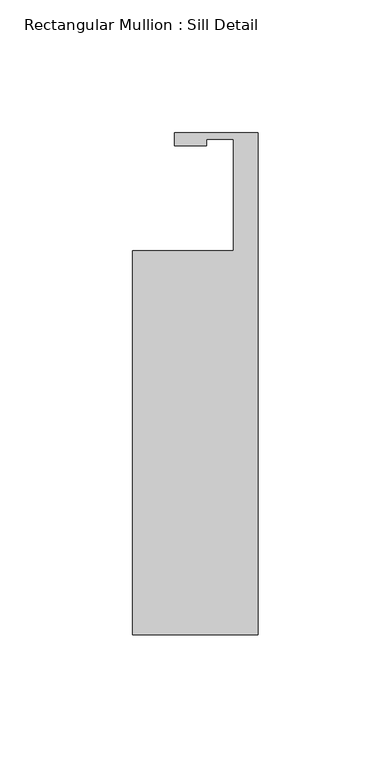
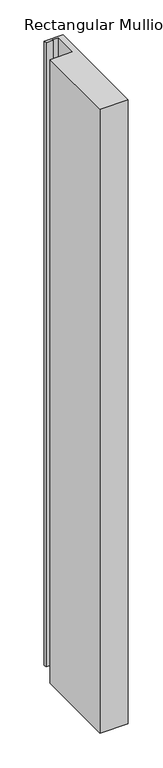
"""IFC4 building model written with IfcOpenShell, lengths in millimetres: member geometry, Rectangular Mullion : Sill Detail."""

from ifc_helpers import new_model, si_unit, frame, origin, place, context, project, spatial, polyline, outline, extrude, source, transform, mapped, element, save


def rectangular_mullion_sill_detail_844ee771(model_context):
    return source(origin(), model_context, "Body", "SweptSolid", [
        extrude(outline(polyline([(0.0, -163.9062), (-47.4265625, -163.9062), (-47.4265625, -19.05), (-9.3265625, -19.05), (-9.3265625, 22.86), (-19.4611625, 22.86), (-19.4611625, 20.5040579), (-31.548507, 20.5040579), (-31.548507, 25.3938484), (0.0, 25.3938484), (0.0, -163.9062)])), frame((0.0, 0.0, -1104.9), z_axis=(0.0, 0.0, 1.0), x_axis=(1.0, 0.0, 0.0)), (0.0, 0.0, 1.0), 1104.9),
    ])


if __name__ == "__main__":
    model = new_model("IFC4")
    model_context = context("Model", 3, world=origin())
    ifc_project = project(units=[si_unit("LENGTHUNIT", "METRE", prefix="MILLI")], contexts=[model_context])
    site = spatial("IfcSite", under=ifc_project)
    building = spatial("IfcBuilding", under=site)
    placement = place(None, origin())
    rectangular_mullion_sill_detail_shape = rectangular_mullion_sill_detail_844ee771(model_context)
    element("IfcMember", 1, ObjectType="Rectangular Mullion : Sill Detail", at=placement, inside=building, context=model_context, shape_type="MappedRepresentation", body=[
        mapped(rectangular_mullion_sill_detail_shape, transform((0.0, 0.0, 0.0), x_axis=(1.0, 0.0, 0.0), y_axis=(0.0, 1.0, 0.0), z_axis=(0.0, 0.0, 1.0))),
    ])
    save(model, "model.ifc")
